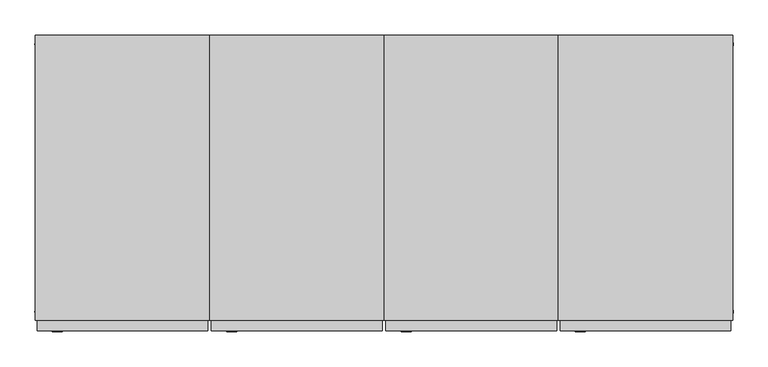
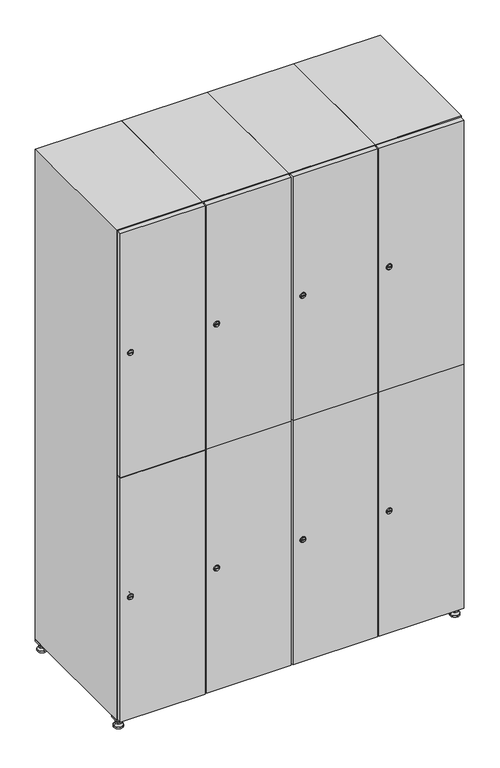
"""IFC4 building model written with IfcOpenShell, lengths in millimetres: furniture geometry."""

from ifc_helpers import new_model, si_unit, point, frame, frame_2d, origin, origin_with_axes, place, context, project, spatial, polyline, circle_curve, trimmed, segment, composite_curve, outline, extrude, faceted_brep, source, transform, mapped, element, save
from ifc_brep_helpers import plane_surface, revolved_surface, advanced_brep


def furniture_04d4490f(model_context):
    return source(origin(), model_context, "Body", "SolidModel", [
        extrude(outline(polyline([(1000.0, 245.0), (1000.0, 215.0), (970.0, 215.0), (970.0, 245.0), (1000.0, 245.0)]), holes=[polyline([(998.0, 243.0), (972.0, 243.0), (972.0, 217.0), (998.0, 217.0), (998.0, 243.0)])]), frame((0.0, 0.0, 28.5), z_axis=(0.0, 0.0, 1.0), x_axis=(1.0, 0.0, 0.0)), (0.0, 0.0, 1.0), 6.5),
        extrude(outline(polyline([(970.0, -245.0), (970.0, -215.0), (1000.0, -215.0), (1000.0, -245.0), (970.0, -245.0)]), holes=[polyline([(972.0, -243.0), (998.0, -243.0), (998.0, -217.0), (972.0, -217.0), (972.0, -243.0)])]), frame((0.0, 0.0, 28.5), z_axis=(0.0, 0.0, 1.0), x_axis=(1.0, 0.0, 0.0)), (0.0, 0.0, 1.0), 6.5),
        extrude(outline(polyline([(-170.0, 245.0), (-170.0, 215.0), (-200.0, 215.0), (-200.0, 245.0), (-170.0, 245.0)]), holes=[polyline([(-172.0, 243.0), (-198.0, 243.0), (-198.0, 217.0), (-172.0, 217.0), (-172.0, 243.0)])]), frame((0.0, 0.0, 28.5), z_axis=(0.0, 0.0, 1.0), x_axis=(1.0, 0.0, 0.0)), (0.0, 0.0, 1.0), 6.5),
        extrude(outline(polyline([(-170.0, -215.0), (-170.0, -245.0), (-200.0, -245.0), (-200.0, -215.0), (-170.0, -215.0)]), holes=[polyline([(-198.0, -243.0), (-172.0, -243.0), (-172.0, -217.0), (-198.0, -217.0), (-198.0, -243.0)])]), frame((0.0, 0.0, 28.5), z_axis=(0.0, 0.0, 1.0), x_axis=(1.0, 0.0, 0.0)), (0.0, 0.0, 1.0), 6.5),
        extrude(outline(composite_curve([segment(trimmed(circle_curve(frame_2d((-185.0, 230.0)), 5.0), [point((-180.0, 230.0))], [point((-190.0, 230.0))], False, "CARTESIAN"), True, "CONTINUOUS"), segment(trimmed(circle_curve(frame_2d((-185.0, 230.0)), 5.0), [point((-190.0, 230.0))], [point((-180.0, 230.0))], False, "CARTESIAN"), True, "CONTINUOUS")], self_intersect=False)), frame((0.0, 0.0, 19.6), z_axis=(0.0, 0.0, 1.0), x_axis=(1.0, 0.0, 0.0)), (0.0, 0.0, 1.0), 15.4),
        extrude(outline(composite_curve([segment(trimmed(circle_curve(frame_2d((-185.0, -230.0)), 5.0), [point((-180.0, -230.0))], [point((-190.0, -230.0))], False, "CARTESIAN"), True, "CONTINUOUS"), segment(trimmed(circle_curve(frame_2d((-185.0, -230.0)), 5.0), [point((-190.0, -230.0))], [point((-180.0, -230.0))], False, "CARTESIAN"), True, "CONTINUOUS")], self_intersect=False)), frame((0.0, 0.0, 19.6), z_axis=(0.0, 0.0, 1.0), x_axis=(1.0, 0.0, 0.0)), (0.0, 0.0, 1.0), 15.4),
        extrude(outline(composite_curve([segment(trimmed(circle_curve(frame_2d((985.0, 230.0)), 5.0), [point((990.0, 230.0))], [point((980.0, 230.0))], False, "CARTESIAN"), True, "CONTINUOUS"), segment(trimmed(circle_curve(frame_2d((985.0, 230.0)), 5.0), [point((980.0, 230.0))], [point((990.0, 230.0))], False, "CARTESIAN"), True, "CONTINUOUS")], self_intersect=False)), frame((0.0, 0.0, 19.6), z_axis=(0.0, 0.0, 1.0), x_axis=(1.0, 0.0, 0.0)), (0.0, 0.0, 1.0), 15.4),
        extrude(outline(polyline([(973.4529946, 230.0), (979.2264973, 240.0), (990.7735027, 240.0), (996.5470054, 230.0), (990.7735027, 220.0), (979.2264973, 220.0), (973.4529946, 230.0)])), frame((0.0, 0.0, 13.6), z_axis=(0.0, 0.0, 1.0), x_axis=(1.0, 0.0, 0.0)), (0.0, 0.0, 1.0), 6.0),
        extrude(outline(composite_curve([segment(trimmed(circle_curve(frame_2d((985.0, -230.0)), 5.0), [point((990.0, -230.0))], [point((980.0, -230.0))], False, "CARTESIAN"), True, "CONTINUOUS"), segment(trimmed(circle_curve(frame_2d((985.0, -230.0)), 5.0), [point((980.0, -230.0))], [point((990.0, -230.0))], False, "CARTESIAN"), True, "CONTINUOUS")], self_intersect=False)), frame((0.0, 0.0, 19.6), z_axis=(0.0, 0.0, 1.0), x_axis=(1.0, 0.0, 0.0)), (0.0, 0.0, 1.0), 15.4),
        extrude(outline(polyline([(973.4529946, -230.0), (979.2264973, -220.0), (990.7735027, -220.0), (996.5470054, -230.0), (990.7735027, -240.0), (979.2264973, -240.0), (973.4529946, -230.0)])), frame((0.0, 0.0, 13.6), z_axis=(0.0, 0.0, 1.0), x_axis=(1.0, 0.0, 0.0)), (0.0, 0.0, 1.0), 6.0),
        extrude(outline(composite_curve([segment(trimmed(circle_curve(frame_2d((985.0, 230.0)), 5.0), [point((990.0, 230.0))], [point((980.0, 230.0))], False, "CARTESIAN"), True, "CONTINUOUS"), segment(trimmed(circle_curve(frame_2d((985.0, 230.0)), 5.0), [point((980.0, 230.0))], [point((990.0, 230.0))], False, "CARTESIAN"), True, "CONTINUOUS")], self_intersect=False)), frame((0.0, 0.0, 12.1), z_axis=(0.0, 0.0, 1.0), x_axis=(1.0, 0.0, 0.0)), (0.0, 0.0, 1.0), 1.5),
        extrude(outline(composite_curve([segment(trimmed(circle_curve(frame_2d((985.0, -230.0)), 5.0), [point((990.0, -230.0))], [point((980.0, -230.0))], False, "CARTESIAN"), True, "CONTINUOUS"), segment(trimmed(circle_curve(frame_2d((985.0, -230.0)), 5.0), [point((980.0, -230.0))], [point((990.0, -230.0))], False, "CARTESIAN"), True, "CONTINUOUS")], self_intersect=False)), frame((0.0, 0.0, 12.1), z_axis=(0.0, 0.0, 1.0), x_axis=(1.0, 0.0, 0.0)), (0.0, 0.0, 1.0), 1.5),
        extrude(outline(polyline([(-196.5470054, 230.0), (-190.7735027, 240.0), (-179.2264973, 240.0), (-173.4529946, 230.0), (-179.2264973, 220.0), (-190.7735027, 220.0), (-196.5470054, 230.0)])), frame((0.0, 0.0, 13.6), z_axis=(0.0, 0.0, 1.0), x_axis=(1.0, 0.0, 0.0)), (0.0, 0.0, 1.0), 6.0),
        extrude(outline(polyline([(-196.5470054, -230.0), (-190.7735027, -220.0), (-179.2264973, -220.0), (-173.4529946, -230.0), (-179.2264973, -240.0), (-190.7735027, -240.0), (-196.5470054, -230.0)])), frame((0.0, 0.0, 13.6), z_axis=(0.0, 0.0, 1.0), x_axis=(1.0, 0.0, 0.0)), (0.0, 0.0, 1.0), 6.0),
        extrude(outline(composite_curve([segment(trimmed(circle_curve(frame_2d((-185.0, 230.0)), 5.0), [point((-185.0, 235.0))], [point((-185.0, 225.0))], False, "CARTESIAN"), True, "CONTINUOUS"), segment(trimmed(circle_curve(frame_2d((-185.0, 230.0)), 5.0), [point((-185.0, 225.0))], [point((-185.0, 235.0))], False, "CARTESIAN"), True, "CONTINUOUS")], self_intersect=False)), frame((0.0, 0.0, 12.1), z_axis=(0.0, 0.0, 1.0), x_axis=(1.0, 0.0, 0.0)), (0.0, 0.0, 1.0), 1.5),
        extrude(outline(composite_curve([segment(trimmed(circle_curve(frame_2d((-185.0, -230.0)), 5.0), [point((-180.0, -230.0))], [point((-190.0, -230.0))], False, "CARTESIAN"), True, "CONTINUOUS"), segment(trimmed(circle_curve(frame_2d((-185.0, -230.0)), 5.0), [point((-190.0, -230.0))], [point((-180.0, -230.0))], False, "CARTESIAN"), True, "CONTINUOUS")], self_intersect=False)), frame((0.0, 0.0, 12.1), z_axis=(0.0, 0.0, 1.0), x_axis=(1.0, 0.0, 0.0)), (0.0, 0.0, 1.0), 1.5),
        extrude(outline(composite_curve([segment(trimmed(circle_curve(frame_2d((985.0, 230.0)), 15.75), [point((1000.75, 230.0))], [point((969.25, 230.0))], False, "CARTESIAN"), True, "CONTINUOUS"), segment(trimmed(circle_curve(frame_2d((985.0, 230.0)), 15.75), [point((969.25, 230.0))], [point((1000.75, 230.0))], False, "CARTESIAN"), True, "CONTINUOUS")], self_intersect=False)), origin_with_axes(), (0.0, 0.0, 1.0), 5.1),
        extrude(outline(composite_curve([segment(trimmed(circle_curve(frame_2d((985.0, -230.0)), 15.75), [point((985.0, -214.25))], [point((985.0, -245.75))], False, "CARTESIAN"), True, "CONTINUOUS"), segment(trimmed(circle_curve(frame_2d((985.0, -230.0)), 15.75), [point((985.0, -245.75))], [point((985.0, -214.25))], False, "CARTESIAN"), True, "CONTINUOUS")], self_intersect=False)), origin_with_axes(), (0.0, 0.0, 1.0), 5.1),
        extrude(outline(composite_curve([segment(trimmed(circle_curve(frame_2d((-185.0, -230.0)), 15.75), [point((-169.25, -230.0))], [point((-200.75, -230.0))], False, "CARTESIAN"), True, "CONTINUOUS"), segment(trimmed(circle_curve(frame_2d((-185.0, -230.0)), 15.75), [point((-200.75, -230.0))], [point((-169.25, -230.0))], False, "CARTESIAN"), True, "CONTINUOUS")], self_intersect=False)), origin_with_axes(), (0.0, 0.0, 1.0), 5.1),
        extrude(outline(composite_curve([segment(trimmed(circle_curve(frame_2d((-185.0, 230.0)), 15.75), [point((-169.25, 230.0))], [point((-200.75, 230.0))], False, "CARTESIAN"), True, "CONTINUOUS"), segment(trimmed(circle_curve(frame_2d((-185.0, 230.0)), 15.75), [point((-200.75, 230.0))], [point((-169.25, 230.0))], False, "CARTESIAN"), True, "CONTINUOUS")], self_intersect=False)), origin_with_axes(), (0.0, 0.0, 1.0), 5.1),
        advanced_brep(
        [(-185.0, 239.5, 12.1), (-185.0, 220.5, 12.1), (-185.0, 214.25, 5.1), (-185.0, 245.75, 5.1)],
        [
            (0, 1, circle_curve(frame((-185.0, 230.0, 12.1), z_axis=(0.0, 0.0, -1.0), x_axis=(0.0, 1.0, 0.0)), 9.5)),
            (1, 2),
            (2, 3, circle_curve(frame((-185.0, 230.0, 5.1), z_axis=(0.0, 0.0, 1.0), x_axis=(0.0, 1.0, 0.0)), 15.75)),
            (3, 0),
            (1, 0, circle_curve(frame((-185.0, 230.0, 12.1), z_axis=(0.0, 0.0, -1.0), x_axis=(0.0, -1.0, 0.0)), 9.5)),
            (3, 2, circle_curve(frame((-185.0, 230.0, 5.1), z_axis=(0.0, 0.0, 1.0), x_axis=(0.0, -1.0, 0.0)), 15.75)),
        ],
        [
            revolved_surface(polyline([(-185.0, 220.5, 12.099999999999998), (-185.0, 214.25, 5.099999999999998)]), (-185.0, 230.0, 22.74), (0.0, 0.0, -1.0)),
            revolved_surface(polyline([(-185.0, 239.5, 12.099999999999998), (-185.0, 245.75, 5.099999999999998)]), (-185.0, 230.0, 22.74), (0.0, 0.0, -1.0)),
            plane_surface(frame((-185.0, 230.0, 5.1), z_axis=(0.0, 0.0, -1.0), x_axis=(1.0, 0.0, 0.0))),
            plane_surface(frame((-185.0, 230.0, 12.1), z_axis=(0.0, 0.0, 1.0), x_axis=(1.0, 0.0, 0.0))),
        ],
        [
            (0, [[1, 2, 3, 4]]),
            (1, [[5, -4, 6, -2]]),
            (2, [[-3, -6]]),
            (3, [[-5, -1]]),
        ],
    ),
        advanced_brep(
        [(985.0, 239.5, 12.1), (985.0, 220.5, 12.1), (985.0, 214.25, 5.1), (985.0, 245.75, 5.1)],
        [
            (0, 1, circle_curve(frame((985.0, 230.0, 12.1), z_axis=(0.0, 0.0, -1.0), x_axis=(0.0, 1.0, 0.0)), 9.5)),
            (1, 2),
            (2, 3, circle_curve(frame((985.0, 230.0, 5.1), z_axis=(0.0, 0.0, 1.0), x_axis=(0.0, 1.0, 0.0)), 15.75)),
            (3, 0),
            (1, 0, circle_curve(frame((985.0, 230.0, 12.1), z_axis=(0.0, 0.0, -1.0), x_axis=(0.0, -1.0, 0.0)), 9.5)),
            (3, 2, circle_curve(frame((985.0, 230.0, 5.1), z_axis=(0.0, 0.0, 1.0), x_axis=(0.0, -1.0, 0.0)), 15.75)),
        ],
        [
            revolved_surface(polyline([(985.0, 220.5, 12.099999999999998), (985.0, 214.25, 5.099999999999998)]), (985.0, 230.0, 22.74), (0.0, 0.0, -1.0)),
            revolved_surface(polyline([(985.0, 239.5, 12.099999999999998), (985.0, 245.75, 5.099999999999998)]), (985.0, 230.0, 22.74), (0.0, 0.0, -1.0)),
            plane_surface(frame((985.0, 230.0, 5.1), z_axis=(0.0, 0.0, -1.0), x_axis=(1.0, 0.0, 0.0))),
            plane_surface(frame((985.0, 230.0, 12.1), z_axis=(0.0, 0.0, 1.0), x_axis=(1.0, 0.0, 0.0))),
        ],
        [
            (0, [[1, 2, 3, 4]]),
            (1, [[5, -4, 6, -2]]),
            (2, [[-3, -6]]),
            (3, [[-5, -1]]),
        ],
    ),
        advanced_brep(
        [(1000.75, -230.0, 5.1), (969.25, -230.0, 5.1), (975.5, -230.0, 12.1), (994.5, -230.0, 12.1)],
        [
            (0, 1, circle_curve(frame((985.0, -230.0, 5.1), z_axis=(0.0, 0.0, 1.0), x_axis=(1.0, 0.0, 0.0)), 15.75)),
            (1, 2),
            (2, 3, circle_curve(frame((985.0, -230.0, 12.1), z_axis=(0.0, 0.0, -1.0), x_axis=(1.0, 0.0, 0.0)), 9.5)),
            (3, 0),
            (1, 0, circle_curve(frame((985.0, -230.0, 5.1), z_axis=(0.0, 0.0, 1.0), x_axis=(-1.0, 0.0, 0.0)), 15.75)),
            (3, 2, circle_curve(frame((985.0, -230.0, 12.1), z_axis=(0.0, 0.0, -1.0), x_axis=(-1.0, 0.0, 0.0)), 9.5)),
        ],
        [
            revolved_surface(polyline([(994.5, -230.0, 12.099999999999998), (1000.75, -230.0, 5.099999999999998)]), (985.0, -230.0, 22.74), (0.0, 0.0, -1.0)),
            revolved_surface(polyline([(975.5, -230.0, 12.099999999999998), (969.25, -230.0, 5.099999999999998)]), (985.0, -230.0, 22.74), (0.0, 0.0, -1.0)),
            plane_surface(frame((985.0, -230.0, 12.1), z_axis=(0.0, 0.0, 1.0), x_axis=(0.0, 1.0, 0.0))),
            plane_surface(frame((985.0, -230.0, 5.1), z_axis=(0.0, 0.0, -1.0), x_axis=(0.0, 1.0, 0.0))),
        ],
        [
            (0, [[1, 2, 3, 4]]),
            (1, [[5, -4, 6, -2]]),
            (2, [[-3, -6]]),
            (3, [[-5, -1]]),
        ],
    ),
        advanced_brep(
        [(-169.25, -230.0, 5.1), (-200.75, -230.0, 5.1), (-194.5, -230.0, 12.1), (-175.5, -230.0, 12.1)],
        [
            (0, 1, circle_curve(frame((-185.0, -230.0, 5.1), z_axis=(0.0, 0.0, 1.0), x_axis=(1.0, 0.0, 0.0)), 15.75)),
            (1, 2),
            (2, 3, circle_curve(frame((-185.0, -230.0, 12.1), z_axis=(0.0, 0.0, -1.0), x_axis=(1.0, 0.0, 0.0)), 9.5)),
            (3, 0),
            (1, 0, circle_curve(frame((-185.0, -230.0, 5.1), z_axis=(0.0, 0.0, 1.0), x_axis=(-1.0, 0.0, 0.0)), 15.75)),
            (3, 2, circle_curve(frame((-185.0, -230.0, 12.1), z_axis=(0.0, 0.0, -1.0), x_axis=(-1.0, 0.0, 0.0)), 9.5)),
        ],
        [
            revolved_surface(polyline([(-175.5, -230.0, 12.099999999999998), (-169.25, -230.0, 5.099999999999998)]), (-185.0, -230.0, 22.74), (0.0, 0.0, -1.0)),
            revolved_surface(polyline([(-194.5, -230.0, 12.099999999999998), (-200.75, -230.0, 5.099999999999998)]), (-185.0, -230.0, 22.74), (0.0, 0.0, -1.0)),
            plane_surface(frame((-185.0, -230.0, 12.1), z_axis=(0.0, 0.0, 1.0), x_axis=(0.0, 1.0, 0.0))),
            plane_surface(frame((-185.0, -230.0, 5.1), z_axis=(0.0, 0.0, -1.0), x_axis=(0.0, 1.0, 0.0))),
        ],
        [
            (0, [[1, 2, 3, 4]]),
            (1, [[5, -4, 6, -2]]),
            (2, [[-3, -6]]),
            (3, [[-5, -1]]),
        ],
    ),
        extrude(outline(composite_curve([segment(trimmed(circle_curve(frame_2d((486.5, 711.2010534)), 7.0), [point((493.5, 711.2010534))], [point((479.5, 711.2010534))], False, "CARTESIAN"), True, "CONTINUOUS"), segment(polyline([(479.5, 711.2010534), (479.5, 739.2010534)]), True, "CONTINUOUS"), segment(trimmed(circle_curve(frame_2d((486.5, 739.2010534)), 7.0), [point((479.5, 739.2010534))], [point((493.5, 739.2010534))], False, "CARTESIAN"), True, "CONTINUOUS"), segment(polyline([(493.5, 739.2010534), (493.5, 711.2010534)]), True, "CONTINUOUS")], self_intersect=False)), frame((0.0, -245.0, 0.0), z_axis=(0.0, 1.0, 0.0), x_axis=(0.0, 0.0, 1.0)), (0.0, 0.0, 1.0), 2.0),
        advanced_brep(
        [(746.5, -265.2, 486.5), (729.5, -265.2, 486.5), (733.0, -265.2, 485.25), (733.0, -265.2, 487.75), (743.0, -265.2, 487.75), (743.0, -265.2, 485.25), (748.5, -263.0, 486.5), (727.5, -263.0, 486.5), (733.0, -263.0, 487.75), (733.0, -263.0, 485.25), (743.0, -263.0, 485.25), (743.0, -263.0, 487.75)],
        [
            (0, 1, circle_curve(frame((738.0, -265.2, 486.5), z_axis=(0.0, -1.0, 0.0), x_axis=(1.0, 0.0, 0.0)), 8.5)),
            (1, 0, circle_curve(frame((738.0, -265.2, 486.5), z_axis=(0.0, -1.0, 0.0), x_axis=(-1.0, 0.0, 0.0)), 8.5)),
            (2, 3),
            (3, 4),
            (4, 5),
            (5, 2),
            (6, 7, circle_curve(frame((738.0, -263.0, 486.5), z_axis=(0.0, 1.0, 0.0), x_axis=(-1.0, 0.0, 0.0)), 10.5)),
            (7, 6, circle_curve(frame((738.0, -263.0, 486.5), z_axis=(0.0, 1.0, 0.0), x_axis=(1.0, 0.0, 0.0)), 10.5)),
            (8, 9),
            (9, 10),
            (10, 11),
            (11, 8),
            (0, 6),
            (7, 1),
            (8, 3),
            (2, 9),
            (11, 4),
            (10, 5),
        ],
        [
            plane_surface(frame((738.0, -265.2, 486.5), z_axis=(0.0, -1.0, 0.0), x_axis=(0.0, 0.0, 1.0))),
            plane_surface(frame((738.0, -263.0, 486.5), z_axis=(0.0, 1.0, 0.0), x_axis=(0.0, 0.0, 1.0))),
            revolved_surface(polyline([(746.5, -265.2, 486.5), (748.5, -263.0, 486.5)]), (738.0, -274.55, 486.5), (0.0, 1.0, 0.0)),
            revolved_surface(polyline([(729.5, -265.2, 486.5), (727.5, -263.0, 486.5)]), (738.0, -274.55, 486.5), (0.0, 1.0, 0.0)),
            plane_surface(frame((733.0, -263.0, 485.25), z_axis=(1.0, 0.0, 0.0), x_axis=(0.0, -1.0, 0.0))),
            plane_surface(frame((733.0, -263.0, 487.75), z_axis=(0.0, 0.0, -1.0), x_axis=(0.0, -1.0, 0.0))),
            plane_surface(frame((743.0, -263.0, 487.75), z_axis=(-1.0, 0.0, 0.0), x_axis=(0.0, -1.0, 0.0))),
            plane_surface(frame((743.0, -263.0, 485.25), z_axis=(0.0, 0.0, 1.0), x_axis=(0.0, -1.0, 0.0))),
        ],
        [
            (0, [[1, 2], [3, 4, 5, 6]]),
            (1, [[7, 8], [9, 10, 11, 12]]),
            (2, [[-1, 13, -8, 14]]),
            (3, [[-2, -14, -7, -13]]),
            (4, [[15, -3, 16, -9]]),
            (5, [[-15, -12, 17, -4]]),
            (6, [[-17, -11, 18, -5]]),
            (7, [[-16, -6, -18, -10]]),
        ],
    ),
        extrude(outline(composite_curve([segment(trimmed(circle_curve(frame_2d((1383.5, 711.2010534)), 7.0), [point((1390.5, 711.2010534))], [point((1376.5, 711.2010534))], False, "CARTESIAN"), True, "CONTINUOUS"), segment(polyline([(1376.5, 711.2010534), (1376.5, 739.2010534)]), True, "CONTINUOUS"), segment(trimmed(circle_curve(frame_2d((1383.5, 739.2010534)), 7.0), [point((1376.5, 739.2010534))], [point((1390.5, 739.2010534))], False, "CARTESIAN"), True, "CONTINUOUS"), segment(polyline([(1390.5, 739.2010534), (1390.5, 711.2010534)]), True, "CONTINUOUS")], self_intersect=False)), frame((0.0, -245.0, 0.0), z_axis=(0.0, 1.0, 0.0), x_axis=(0.0, 0.0, 1.0)), (0.0, 0.0, 1.0), 2.0),
        advanced_brep(
        [(746.5, -265.2, 1383.5), (729.5, -265.2, 1383.5), (733.0, -265.2, 1382.25), (733.0, -265.2, 1384.75), (743.0, -265.2, 1384.75), (743.0, -265.2, 1382.25), (748.5, -263.0, 1383.5), (727.5, -263.0, 1383.5), (733.0, -263.0, 1384.75), (733.0, -263.0, 1382.25), (743.0, -263.0, 1382.25), (743.0, -263.0, 1384.75)],
        [
            (0, 1, circle_curve(frame((738.0, -265.2, 1383.5), z_axis=(0.0, -1.0, 0.0), x_axis=(1.0, 0.0, 0.0)), 8.5)),
            (1, 0, circle_curve(frame((738.0, -265.2, 1383.5), z_axis=(0.0, -1.0, 0.0), x_axis=(-1.0, 0.0, 0.0)), 8.5)),
            (2, 3),
            (3, 4),
            (4, 5),
            (5, 2),
            (6, 7, circle_curve(frame((738.0, -263.0, 1383.5), z_axis=(0.0, 1.0, 0.0), x_axis=(-1.0, 0.0, 0.0)), 10.5)),
            (7, 6, circle_curve(frame((738.0, -263.0, 1383.5), z_axis=(0.0, 1.0, 0.0), x_axis=(1.0, 0.0, 0.0)), 10.5)),
            (8, 9),
            (9, 10),
            (10, 11),
            (11, 8),
            (0, 6),
            (7, 1),
            (8, 3),
            (2, 9),
            (11, 4),
            (10, 5),
        ],
        [
            plane_surface(frame((738.0, -265.2, 1383.5), z_axis=(0.0, -1.0, 0.0), x_axis=(0.0, 0.0, 1.0))),
            plane_surface(frame((738.0, -263.0, 1383.5), z_axis=(0.0, 1.0, 0.0), x_axis=(0.0, 0.0, 1.0))),
            revolved_surface(polyline([(746.5, -265.2, 1383.5), (748.5, -263.0, 1383.5)]), (738.0, -274.55, 1383.5), (0.0, 1.0, 0.0)),
            revolved_surface(polyline([(729.5, -265.2, 1383.5), (727.5, -263.0, 1383.5)]), (738.0, -274.55, 1383.5), (0.0, 1.0, 0.0)),
            plane_surface(frame((733.0, -263.0, 1382.25), z_axis=(1.0, 0.0, 0.0), x_axis=(0.0, -1.0, 0.0))),
            plane_surface(frame((733.0, -263.0, 1384.75), z_axis=(0.0, 0.0, -1.0), x_axis=(0.0, -1.0, 0.0))),
            plane_surface(frame((743.0, -263.0, 1384.75), z_axis=(-1.0, 0.0, 0.0), x_axis=(0.0, -1.0, 0.0))),
            plane_surface(frame((743.0, -263.0, 1382.25), z_axis=(0.0, 0.0, 1.0), x_axis=(0.0, -1.0, 0.0))),
        ],
        [
            (0, [[1, 2], [3, 4, 5, 6]]),
            (1, [[7, 8], [9, 10, 11, 12]]),
            (2, [[-1, 13, -8, 14]]),
            (3, [[-2, -14, -7, -13]]),
            (4, [[15, -3, 16, -9]]),
            (5, [[-15, -12, 17, -4]]),
            (6, [[-17, -11, 18, -5]]),
            (7, [[-16, -6, -18, -10]]),
        ],
    ),
        extrude(outline(polyline([(703.0, -263.0), (703.0, -245.0), (997.0, -245.0), (997.0, -263.0), (703.0, -263.0)])), frame((0.0, 0.0, 38.0), z_axis=(0.0, 0.0, 1.0), x_axis=(1.0, 0.0, 0.0)), (0.0, 0.0, 1.0), 896.5),
        extrude(outline(polyline([(997.0, -245.0), (997.0, -263.0), (703.0, -263.0), (703.0, -245.0), (997.0, -245.0)])), frame((0.0, 0.0, 935.5), z_axis=(0.0, 0.0, 1.0), x_axis=(1.0, 0.0, 0.0)), (0.0, 0.0, 1.0), 896.5),
        extrude(outline(polyline([(979.6, 242.0), (979.6, -227.0), (720.4, -227.0), (720.4, 242.0), (979.6, 242.0)])), frame((0.0, 0.0, 924.8), z_axis=(0.0, 0.0, 1.0), x_axis=(1.0, 0.0, 0.0)), (0.0, 0.0, 1.0), 20.4),
        faceted_brep([(1000.0, -245.0, 35.0), (1000.0, -245.0, 1835.0), (700.0, -245.0, 1835.0), (700.0, -245.0, 35.0), (979.6, -245.0, 1804.8), (979.6, -245.0, 65.2), (720.4, -245.0, 65.2), (720.4, -245.0, 1804.8), (1000.0, 245.0, 35.0), (700.0, 245.0, 35.0), (1000.0, 245.0, 1835.0), (700.0, 245.0, 1835.0), (979.6, 242.0, 1804.8), (979.6, 242.0, 65.2), (700.0, 245.0, 1804.8), (720.4, 242.0, 1804.8), (720.4, 242.0, 65.2)], [[[0, 1, 2, 3], [4, 5, 6, 7]], [[8, 0, 3, 9]], [[1, 0, 8, 10]], [[1, 10, 11, 2]], [[4, 12, 13, 5]], [[9, 3, 2, 11, 14]], [[10, 8, 9, 14, 11]], [[12, 15, 16, 13]], [[15, 7, 6, 16]], [[4, 7, 15, 12]], [[6, 5, 13, 16]]]),
        extrude(outline(composite_curve([segment(trimmed(circle_curve(frame_2d((486.5, 411.2010534)), 7.0), [point((493.5, 411.2010534))], [point((479.5, 411.2010534))], False, "CARTESIAN"), True, "CONTINUOUS"), segment(polyline([(479.5, 411.2010534), (479.5, 439.2010534)]), True, "CONTINUOUS"), segment(trimmed(circle_curve(frame_2d((486.5, 439.2010534)), 7.0), [point((479.5, 439.2010534))], [point((493.5, 439.2010534))], False, "CARTESIAN"), True, "CONTINUOUS"), segment(polyline([(493.5, 439.2010534), (493.5, 411.2010534)]), True, "CONTINUOUS")], self_intersect=False)), frame((0.0, -245.0, 0.0), z_axis=(0.0, 1.0, 0.0), x_axis=(0.0, 0.0, 1.0)), (0.0, 0.0, 1.0), 2.0),
        advanced_brep(
        [(446.5, -265.2, 486.5), (429.5, -265.2, 486.5), (433.0, -265.2, 485.25), (433.0, -265.2, 487.75), (443.0, -265.2, 487.75), (443.0, -265.2, 485.25), (448.5, -263.0, 486.5), (427.5, -263.0, 486.5), (433.0, -263.0, 487.75), (433.0, -263.0, 485.25), (443.0, -263.0, 485.25), (443.0, -263.0, 487.75)],
        [
            (0, 1, circle_curve(frame((438.0, -265.2, 486.5), z_axis=(0.0, -1.0, 0.0), x_axis=(1.0, 0.0, 0.0)), 8.5)),
            (1, 0, circle_curve(frame((438.0, -265.2, 486.5), z_axis=(0.0, -1.0, 0.0), x_axis=(-1.0, 0.0, 0.0)), 8.5)),
            (2, 3),
            (3, 4),
            (4, 5),
            (5, 2),
            (6, 7, circle_curve(frame((438.0, -263.0, 486.5), z_axis=(0.0, 1.0, 0.0), x_axis=(-1.0, 0.0, 0.0)), 10.5)),
            (7, 6, circle_curve(frame((438.0, -263.0, 486.5), z_axis=(0.0, 1.0, 0.0), x_axis=(1.0, 0.0, 0.0)), 10.5)),
            (8, 9),
            (9, 10),
            (10, 11),
            (11, 8),
            (0, 6),
            (7, 1),
            (8, 3),
            (2, 9),
            (11, 4),
            (10, 5),
        ],
        [
            plane_surface(frame((438.0, -265.2, 486.5), z_axis=(0.0, -1.0, 0.0), x_axis=(0.0, 0.0, 1.0))),
            plane_surface(frame((438.0, -263.0, 486.5), z_axis=(0.0, 1.0, 0.0), x_axis=(0.0, 0.0, 1.0))),
            revolved_surface(polyline([(446.5, -265.2, 486.5), (448.5, -263.0, 486.5)]), (438.0, -274.55, 486.5), (0.0, 1.0, 0.0)),
            revolved_surface(polyline([(429.5, -265.2, 486.5), (427.5, -263.0, 486.5)]), (438.0, -274.55, 486.5), (0.0, 1.0, 0.0)),
            plane_surface(frame((433.0, -263.0, 485.25), z_axis=(1.0, 0.0, 0.0), x_axis=(0.0, -1.0, 0.0))),
            plane_surface(frame((433.0, -263.0, 487.75), z_axis=(0.0, 0.0, -1.0), x_axis=(0.0, -1.0, 0.0))),
            plane_surface(frame((443.0, -263.0, 487.75), z_axis=(-1.0, 0.0, 0.0), x_axis=(0.0, -1.0, 0.0))),
            plane_surface(frame((443.0, -263.0, 485.25), z_axis=(0.0, 0.0, 1.0), x_axis=(0.0, -1.0, 0.0))),
        ],
        [
            (0, [[1, 2], [3, 4, 5, 6]]),
            (1, [[7, 8], [9, 10, 11, 12]]),
            (2, [[-1, 13, -8, 14]]),
            (3, [[-2, -14, -7, -13]]),
            (4, [[15, -3, 16, -9]]),
            (5, [[-15, -12, 17, -4]]),
            (6, [[-17, -11, 18, -5]]),
            (7, [[-16, -6, -18, -10]]),
        ],
    ),
        extrude(outline(composite_curve([segment(trimmed(circle_curve(frame_2d((1383.5, 411.2010534)), 7.0), [point((1390.5, 411.2010534))], [point((1376.5, 411.2010534))], False, "CARTESIAN"), True, "CONTINUOUS"), segment(polyline([(1376.5, 411.2010534), (1376.5, 439.2010534)]), True, "CONTINUOUS"), segment(trimmed(circle_curve(frame_2d((1383.5, 439.2010534)), 7.0), [point((1376.5, 439.2010534))], [point((1390.5, 439.2010534))], False, "CARTESIAN"), True, "CONTINUOUS"), segment(polyline([(1390.5, 439.2010534), (1390.5, 411.2010534)]), True, "CONTINUOUS")], self_intersect=False)), frame((0.0, -245.0, 0.0), z_axis=(0.0, 1.0, 0.0), x_axis=(0.0, 0.0, 1.0)), (0.0, 0.0, 1.0), 2.0),
        advanced_brep(
        [(446.5, -265.2, 1383.5), (429.5, -265.2, 1383.5), (433.0, -265.2, 1382.25), (433.0, -265.2, 1384.75), (443.0, -265.2, 1384.75), (443.0, -265.2, 1382.25), (448.5, -263.0, 1383.5), (427.5, -263.0, 1383.5), (433.0, -263.0, 1384.75), (433.0, -263.0, 1382.25), (443.0, -263.0, 1382.25), (443.0, -263.0, 1384.75)],
        [
            (0, 1, circle_curve(frame((438.0, -265.2, 1383.5), z_axis=(0.0, -1.0, 0.0), x_axis=(1.0, 0.0, 0.0)), 8.5)),
            (1, 0, circle_curve(frame((438.0, -265.2, 1383.5), z_axis=(0.0, -1.0, 0.0), x_axis=(-1.0, 0.0, 0.0)), 8.5)),
            (2, 3),
            (3, 4),
            (4, 5),
            (5, 2),
            (6, 7, circle_curve(frame((438.0, -263.0, 1383.5), z_axis=(0.0, 1.0, 0.0), x_axis=(-1.0, 0.0, 0.0)), 10.5)),
            (7, 6, circle_curve(frame((438.0, -263.0, 1383.5), z_axis=(0.0, 1.0, 0.0), x_axis=(1.0, 0.0, 0.0)), 10.5)),
            (8, 9),
            (9, 10),
            (10, 11),
            (11, 8),
            (0, 6),
            (7, 1),
            (8, 3),
            (2, 9),
            (11, 4),
            (10, 5),
        ],
        [
            plane_surface(frame((438.0, -265.2, 1383.5), z_axis=(0.0, -1.0, 0.0), x_axis=(0.0, 0.0, 1.0))),
            plane_surface(frame((438.0, -263.0, 1383.5), z_axis=(0.0, 1.0, 0.0), x_axis=(0.0, 0.0, 1.0))),
            revolved_surface(polyline([(446.5, -265.2, 1383.5), (448.5, -263.0, 1383.5)]), (438.0, -274.55, 1383.5), (0.0, 1.0, 0.0)),
            revolved_surface(polyline([(429.5, -265.2, 1383.5), (427.5, -263.0, 1383.5)]), (438.0, -274.55, 1383.5), (0.0, 1.0, 0.0)),
            plane_surface(frame((433.0, -263.0, 1382.25), z_axis=(1.0, 0.0, 0.0), x_axis=(0.0, -1.0, 0.0))),
            plane_surface(frame((433.0, -263.0, 1384.75), z_axis=(0.0, 0.0, -1.0), x_axis=(0.0, -1.0, 0.0))),
            plane_surface(frame((443.0, -263.0, 1384.75), z_axis=(-1.0, 0.0, 0.0), x_axis=(0.0, -1.0, 0.0))),
            plane_surface(frame((443.0, -263.0, 1382.25), z_axis=(0.0, 0.0, 1.0), x_axis=(0.0, -1.0, 0.0))),
        ],
        [
            (0, [[1, 2], [3, 4, 5, 6]]),
            (1, [[7, 8], [9, 10, 11, 12]]),
            (2, [[-1, 13, -8, 14]]),
            (3, [[-2, -14, -7, -13]]),
            (4, [[15, -3, 16, -9]]),
            (5, [[-15, -12, 17, -4]]),
            (6, [[-17, -11, 18, -5]]),
            (7, [[-16, -6, -18, -10]]),
        ],
    ),
        extrude(outline(polyline([(403.0, -263.0), (403.0, -245.0), (697.0, -245.0), (697.0, -263.0), (403.0, -263.0)])), frame((0.0, 0.0, 38.0), z_axis=(0.0, 0.0, 1.0), x_axis=(1.0, 0.0, 0.0)), (0.0, 0.0, 1.0), 896.5),
        extrude(outline(polyline([(697.0, -245.0), (697.0, -263.0), (403.0, -263.0), (403.0, -245.0), (697.0, -245.0)])), frame((0.0, 0.0, 935.5), z_axis=(0.0, 0.0, 1.0), x_axis=(1.0, 0.0, 0.0)), (0.0, 0.0, 1.0), 896.5),
        extrude(outline(polyline([(679.6, 242.0), (679.6, -227.0), (420.4, -227.0), (420.4, 242.0), (679.6, 242.0)])), frame((0.0, 0.0, 924.8), z_axis=(0.0, 0.0, 1.0), x_axis=(1.0, 0.0, 0.0)), (0.0, 0.0, 1.0), 20.4),
        faceted_brep([(700.0, -245.0, 35.0), (700.0, -245.0, 1835.0), (400.0, -245.0, 1835.0), (400.0, -245.0, 35.0), (679.6, -245.0, 1804.8), (679.6, -245.0, 65.2), (420.4, -245.0, 65.2), (420.4, -245.0, 1804.8), (700.0, 245.0, 35.0), (400.0, 245.0, 35.0), (700.0, 245.0, 1835.0), (400.0, 245.0, 1835.0), (679.6, 242.0, 1804.8), (679.6, 242.0, 65.2), (400.0, 245.0, 1804.8), (420.4, 242.0, 1804.8), (420.4, 242.0, 65.2)], [[[0, 1, 2, 3], [4, 5, 6, 7]], [[8, 0, 3, 9]], [[1, 0, 8, 10]], [[1, 10, 11, 2]], [[4, 12, 13, 5]], [[9, 3, 2, 11, 14]], [[10, 8, 9, 14, 11]], [[12, 15, 16, 13]], [[15, 7, 6, 16]], [[4, 7, 15, 12]], [[6, 5, 13, 16]]]),
        extrude(outline(composite_curve([segment(trimmed(circle_curve(frame_2d((486.5, 111.2010534)), 7.0), [point((493.5, 111.2010534))], [point((479.5, 111.2010534))], False, "CARTESIAN"), True, "CONTINUOUS"), segment(polyline([(479.5, 111.2010534), (479.5, 139.2010534)]), True, "CONTINUOUS"), segment(trimmed(circle_curve(frame_2d((486.5, 139.2010534)), 7.0), [point((479.5, 139.2010534))], [point((493.5, 139.2010534))], False, "CARTESIAN"), True, "CONTINUOUS"), segment(polyline([(493.5, 139.2010534), (493.5, 111.2010534)]), True, "CONTINUOUS")], self_intersect=False)), frame((0.0, -245.0, 0.0), z_axis=(0.0, 1.0, 0.0), x_axis=(0.0, 0.0, 1.0)), (0.0, 0.0, 1.0), 2.0),
        advanced_brep(
        [(146.5, -265.2, 486.5), (129.5, -265.2, 486.5), (133.0, -265.2, 485.25), (133.0, -265.2, 487.75), (143.0, -265.2, 487.75), (143.0, -265.2, 485.25), (148.5, -263.0, 486.5), (127.5, -263.0, 486.5), (133.0, -263.0, 487.75), (133.0, -263.0, 485.25), (143.0, -263.0, 485.25), (143.0, -263.0, 487.75)],
        [
            (0, 1, circle_curve(frame((138.0, -265.2, 486.5), z_axis=(0.0, -1.0, 0.0), x_axis=(1.0, 0.0, 0.0)), 8.5)),
            (1, 0, circle_curve(frame((138.0, -265.2, 486.5), z_axis=(0.0, -1.0, 0.0), x_axis=(-1.0, 0.0, 0.0)), 8.5)),
            (2, 3),
            (3, 4),
            (4, 5),
            (5, 2),
            (6, 7, circle_curve(frame((138.0, -263.0, 486.5), z_axis=(0.0, 1.0, 0.0), x_axis=(-1.0, 0.0, 0.0)), 10.5)),
            (7, 6, circle_curve(frame((138.0, -263.0, 486.5), z_axis=(0.0, 1.0, 0.0), x_axis=(1.0, 0.0, 0.0)), 10.5)),
            (8, 9),
            (9, 10),
            (10, 11),
            (11, 8),
            (0, 6),
            (7, 1),
            (8, 3),
            (2, 9),
            (11, 4),
            (10, 5),
        ],
        [
            plane_surface(frame((138.0, -265.2, 486.5), z_axis=(0.0, -1.0, 0.0), x_axis=(0.0, 0.0, 1.0))),
            plane_surface(frame((138.0, -263.0, 486.5), z_axis=(0.0, 1.0, 0.0), x_axis=(0.0, 0.0, 1.0))),
            revolved_surface(polyline([(146.5, -265.2, 486.5), (148.5, -263.0, 486.5)]), (138.0, -274.55, 486.5), (0.0, 1.0, 0.0)),
            revolved_surface(polyline([(129.5, -265.2, 486.5), (127.5, -263.0, 486.5)]), (138.0, -274.55, 486.5), (0.0, 1.0, 0.0)),
            plane_surface(frame((133.0, -263.0, 485.25), z_axis=(1.0, 0.0, 0.0), x_axis=(0.0, -1.0, 0.0))),
            plane_surface(frame((133.0, -263.0, 487.75), z_axis=(0.0, 0.0, -1.0), x_axis=(0.0, -1.0, 0.0))),
            plane_surface(frame((143.0, -263.0, 487.75), z_axis=(-1.0, 0.0, 0.0), x_axis=(0.0, -1.0, 0.0))),
            plane_surface(frame((143.0, -263.0, 485.25), z_axis=(0.0, 0.0, 1.0), x_axis=(0.0, -1.0, 0.0))),
        ],
        [
            (0, [[1, 2], [3, 4, 5, 6]]),
            (1, [[7, 8], [9, 10, 11, 12]]),
            (2, [[-1, 13, -8, 14]]),
            (3, [[-2, -14, -7, -13]]),
            (4, [[15, -3, 16, -9]]),
            (5, [[-15, -12, 17, -4]]),
            (6, [[-17, -11, 18, -5]]),
            (7, [[-16, -6, -18, -10]]),
        ],
    ),
        extrude(outline(composite_curve([segment(trimmed(circle_curve(frame_2d((1383.5, 111.2010534)), 7.0), [point((1390.5, 111.2010534))], [point((1376.5, 111.2010534))], False, "CARTESIAN"), True, "CONTINUOUS"), segment(polyline([(1376.5, 111.2010534), (1376.5, 139.2010534)]), True, "CONTINUOUS"), segment(trimmed(circle_curve(frame_2d((1383.5, 139.2010534)), 7.0), [point((1376.5, 139.2010534))], [point((1390.5, 139.2010534))], False, "CARTESIAN"), True, "CONTINUOUS"), segment(polyline([(1390.5, 139.2010534), (1390.5, 111.2010534)]), True, "CONTINUOUS")], self_intersect=False)), frame((0.0, -245.0, 0.0), z_axis=(0.0, 1.0, 0.0), x_axis=(0.0, 0.0, 1.0)), (0.0, 0.0, 1.0), 2.0),
        advanced_brep(
        [(146.5, -265.2, 1383.5), (129.5, -265.2, 1383.5), (133.0, -265.2, 1382.25), (133.0, -265.2, 1384.75), (143.0, -265.2, 1384.75), (143.0, -265.2, 1382.25), (148.5, -263.0, 1383.5), (127.5, -263.0, 1383.5), (133.0, -263.0, 1384.75), (133.0, -263.0, 1382.25), (143.0, -263.0, 1382.25), (143.0, -263.0, 1384.75)],
        [
            (0, 1, circle_curve(frame((138.0, -265.2, 1383.5), z_axis=(0.0, -1.0, 0.0), x_axis=(1.0, 0.0, 0.0)), 8.5)),
            (1, 0, circle_curve(frame((138.0, -265.2, 1383.5), z_axis=(0.0, -1.0, 0.0), x_axis=(-1.0, 0.0, 0.0)), 8.5)),
            (2, 3),
            (3, 4),
            (4, 5),
            (5, 2),
            (6, 7, circle_curve(frame((138.0, -263.0, 1383.5), z_axis=(0.0, 1.0, 0.0), x_axis=(-1.0, 0.0, 0.0)), 10.5)),
            (7, 6, circle_curve(frame((138.0, -263.0, 1383.5), z_axis=(0.0, 1.0, 0.0), x_axis=(1.0, 0.0, 0.0)), 10.5)),
            (8, 9),
            (9, 10),
            (10, 11),
            (11, 8),
            (0, 6),
            (7, 1),
            (8, 3),
            (2, 9),
            (11, 4),
            (10, 5),
        ],
        [
            plane_surface(frame((138.0, -265.2, 1383.5), z_axis=(0.0, -1.0, 0.0), x_axis=(0.0, 0.0, 1.0))),
            plane_surface(frame((138.0, -263.0, 1383.5), z_axis=(0.0, 1.0, 0.0), x_axis=(0.0, 0.0, 1.0))),
            revolved_surface(polyline([(146.5, -265.2, 1383.5), (148.5, -263.0, 1383.5)]), (138.0, -274.55, 1383.5), (0.0, 1.0, 0.0)),
            revolved_surface(polyline([(129.5, -265.2, 1383.5), (127.5, -263.0, 1383.5)]), (138.0, -274.55, 1383.5), (0.0, 1.0, 0.0)),
            plane_surface(frame((133.0, -263.0, 1382.25), z_axis=(1.0, 0.0, 0.0), x_axis=(0.0, -1.0, 0.0))),
            plane_surface(frame((133.0, -263.0, 1384.75), z_axis=(0.0, 0.0, -1.0), x_axis=(0.0, -1.0, 0.0))),
            plane_surface(frame((143.0, -263.0, 1384.75), z_axis=(-1.0, 0.0, 0.0), x_axis=(0.0, -1.0, 0.0))),
            plane_surface(frame((143.0, -263.0, 1382.25), z_axis=(0.0, 0.0, 1.0), x_axis=(0.0, -1.0, 0.0))),
        ],
        [
            (0, [[1, 2], [3, 4, 5, 6]]),
            (1, [[7, 8], [9, 10, 11, 12]]),
            (2, [[-1, 13, -8, 14]]),
            (3, [[-2, -14, -7, -13]]),
            (4, [[15, -3, 16, -9]]),
            (5, [[-15, -12, 17, -4]]),
            (6, [[-17, -11, 18, -5]]),
            (7, [[-16, -6, -18, -10]]),
        ],
    ),
        extrude(outline(polyline([(103.0, -263.0), (103.0, -245.0), (397.0, -245.0), (397.0, -263.0), (103.0, -263.0)])), frame((0.0, 0.0, 38.0), z_axis=(0.0, 0.0, 1.0), x_axis=(1.0, 0.0, 0.0)), (0.0, 0.0, 1.0), 896.5),
        extrude(outline(polyline([(397.0, -245.0), (397.0, -263.0), (103.0, -263.0), (103.0, -245.0), (397.0, -245.0)])), frame((0.0, 0.0, 935.5), z_axis=(0.0, 0.0, 1.0), x_axis=(1.0, 0.0, 0.0)), (0.0, 0.0, 1.0), 896.5),
        extrude(outline(polyline([(379.6, 242.0), (379.6, -227.0), (120.4, -227.0), (120.4, 242.0), (379.6, 242.0)])), frame((0.0, 0.0, 924.8), z_axis=(0.0, 0.0, 1.0), x_axis=(1.0, 0.0, 0.0)), (0.0, 0.0, 1.0), 20.4),
        faceted_brep([(400.0, -245.0, 35.0), (400.0, -245.0, 1835.0), (100.0, -245.0, 1835.0), (100.0, -245.0, 35.0), (379.6, -245.0, 1804.8), (379.6, -245.0, 65.2), (120.4, -245.0, 65.2), (120.4, -245.0, 1804.8), (400.0, 245.0, 35.0), (100.0, 245.0, 35.0), (400.0, 245.0, 1835.0), (100.0, 245.0, 1835.0), (379.6, 242.0, 1804.8), (379.6, 242.0, 65.2), (100.0, 245.0, 1804.8), (120.4, 242.0, 1804.8), (120.4, 242.0, 65.2)], [[[0, 1, 2, 3], [4, 5, 6, 7]], [[8, 0, 3, 9]], [[1, 0, 8, 10]], [[1, 10, 11, 2]], [[4, 12, 13, 5]], [[9, 3, 2, 11, 14]], [[10, 8, 9, 14, 11]], [[12, 15, 16, 13]], [[15, 7, 6, 16]], [[4, 7, 15, 12]], [[6, 5, 13, 16]]]),
        extrude(outline(composite_curve([segment(trimmed(circle_curve(frame_2d((486.5, -188.7989466)), 7.0), [point((493.5, -188.7989466))], [point((479.5, -188.7989466))], False, "CARTESIAN"), True, "CONTINUOUS"), segment(polyline([(479.5, -188.7989466), (479.5, -160.7989466)]), True, "CONTINUOUS"), segment(trimmed(circle_curve(frame_2d((486.5, -160.7989466)), 7.0), [point((479.5, -160.7989466))], [point((493.5, -160.7989466))], False, "CARTESIAN"), True, "CONTINUOUS"), segment(polyline([(493.5, -160.7989466), (493.5, -188.7989466)]), True, "CONTINUOUS")], self_intersect=False)), frame((0.0, -245.0, 0.0), z_axis=(0.0, 1.0, 0.0), x_axis=(0.0, 0.0, 1.0)), (0.0, 0.0, 1.0), 2.0),
        advanced_brep(
        [(-153.5, -265.2, 486.5), (-170.5, -265.2, 486.5), (-167.0, -265.2, 485.25), (-167.0, -265.2, 487.75), (-157.0, -265.2, 487.75), (-157.0, -265.2, 485.25), (-151.5, -263.0, 486.5), (-172.5, -263.0, 486.5), (-167.0, -263.0, 487.75), (-167.0, -263.0, 485.25), (-157.0, -263.0, 485.25), (-157.0, -263.0, 487.75)],
        [
            (0, 1, circle_curve(frame((-162.0, -265.2, 486.5), z_axis=(0.0, -1.0, 0.0), x_axis=(1.0, 0.0, 0.0)), 8.5)),
            (1, 0, circle_curve(frame((-162.0, -265.2, 486.5), z_axis=(0.0, -1.0, 0.0), x_axis=(-1.0, 0.0, 0.0)), 8.5)),
            (2, 3),
            (3, 4),
            (4, 5),
            (5, 2),
            (6, 7, circle_curve(frame((-162.0, -263.0, 486.5), z_axis=(0.0, 1.0, 0.0), x_axis=(-1.0, 0.0, 0.0)), 10.5)),
            (7, 6, circle_curve(frame((-162.0, -263.0, 486.5), z_axis=(0.0, 1.0, 0.0), x_axis=(1.0, 0.0, 0.0)), 10.5)),
            (8, 9),
            (9, 10),
            (10, 11),
            (11, 8),
            (0, 6),
            (7, 1),
            (8, 3),
            (2, 9),
            (11, 4),
            (10, 5),
        ],
        [
            plane_surface(frame((-162.0, -265.2, 486.5), z_axis=(0.0, -1.0, 0.0), x_axis=(0.0, 0.0, 1.0))),
            plane_surface(frame((-162.0, -263.0, 486.5), z_axis=(0.0, 1.0, 0.0), x_axis=(0.0, 0.0, 1.0))),
            revolved_surface(polyline([(-153.5, -265.2, 486.5), (-151.5, -263.0, 486.5)]), (-162.0, -274.55, 486.5), (0.0, 1.0, 0.0)),
            revolved_surface(polyline([(-170.5, -265.2, 486.5), (-172.5, -263.0, 486.5)]), (-162.0, -274.55, 486.5), (0.0, 1.0, 0.0)),
            plane_surface(frame((-167.0, -263.0, 485.25), z_axis=(1.0, 0.0, 0.0), x_axis=(0.0, -1.0, 0.0))),
            plane_surface(frame((-167.0, -263.0, 487.75), z_axis=(0.0, 0.0, -1.0), x_axis=(0.0, -1.0, 0.0))),
            plane_surface(frame((-157.0, -263.0, 487.75), z_axis=(-1.0, 0.0, 0.0), x_axis=(0.0, -1.0, 0.0))),
            plane_surface(frame((-157.0, -263.0, 485.25), z_axis=(0.0, 0.0, 1.0), x_axis=(0.0, -1.0, 0.0))),
        ],
        [
            (0, [[1, 2], [3, 4, 5, 6]]),
            (1, [[7, 8], [9, 10, 11, 12]]),
            (2, [[-1, 13, -8, 14]]),
            (3, [[-2, -14, -7, -13]]),
            (4, [[15, -3, 16, -9]]),
            (5, [[-15, -12, 17, -4]]),
            (6, [[-17, -11, 18, -5]]),
            (7, [[-16, -6, -18, -10]]),
        ],
    ),
        extrude(outline(composite_curve([segment(trimmed(circle_curve(frame_2d((1383.5, -188.7989466)), 7.0), [point((1390.5, -188.7989466))], [point((1376.5, -188.7989466))], False, "CARTESIAN"), True, "CONTINUOUS"), segment(polyline([(1376.5, -188.7989466), (1376.5, -160.7989466)]), True, "CONTINUOUS"), segment(trimmed(circle_curve(frame_2d((1383.5, -160.7989466)), 7.0), [point((1376.5, -160.7989466))], [point((1390.5, -160.7989466))], False, "CARTESIAN"), True, "CONTINUOUS"), segment(polyline([(1390.5, -160.7989466), (1390.5, -188.7989466)]), True, "CONTINUOUS")], self_intersect=False)), frame((0.0, -245.0, 0.0), z_axis=(0.0, 1.0, 0.0), x_axis=(0.0, 0.0, 1.0)), (0.0, 0.0, 1.0), 2.0),
        advanced_brep(
        [(-153.5, -265.2, 1383.5), (-170.5, -265.2, 1383.5), (-167.0, -265.2, 1382.25), (-167.0, -265.2, 1384.75), (-157.0, -265.2, 1384.75), (-157.0, -265.2, 1382.25), (-151.5, -263.0, 1383.5), (-172.5, -263.0, 1383.5), (-167.0, -263.0, 1384.75), (-167.0, -263.0, 1382.25), (-157.0, -263.0, 1382.25), (-157.0, -263.0, 1384.75)],
        [
            (0, 1, circle_curve(frame((-162.0, -265.2, 1383.5), z_axis=(0.0, -1.0, 0.0), x_axis=(1.0, 0.0, 0.0)), 8.5)),
            (1, 0, circle_curve(frame((-162.0, -265.2, 1383.5), z_axis=(0.0, -1.0, 0.0), x_axis=(-1.0, 0.0, 0.0)), 8.5)),
            (2, 3),
            (3, 4),
            (4, 5),
            (5, 2),
            (6, 7, circle_curve(frame((-162.0, -263.0, 1383.5), z_axis=(0.0, 1.0, 0.0), x_axis=(-1.0, 0.0, 0.0)), 10.5)),
            (7, 6, circle_curve(frame((-162.0, -263.0, 1383.5), z_axis=(0.0, 1.0, 0.0), x_axis=(1.0, 0.0, 0.0)), 10.5)),
            (8, 9),
            (9, 10),
            (10, 11),
            (11, 8),
            (0, 6),
            (7, 1),
            (8, 3),
            (2, 9),
            (11, 4),
            (10, 5),
        ],
        [
            plane_surface(frame((-162.0, -265.2, 1383.5), z_axis=(0.0, -1.0, 0.0), x_axis=(0.0, 0.0, 1.0))),
            plane_surface(frame((-162.0, -263.0, 1383.5), z_axis=(0.0, 1.0, 0.0), x_axis=(0.0, 0.0, 1.0))),
            revolved_surface(polyline([(-153.5, -265.2, 1383.5), (-151.5, -263.0, 1383.5)]), (-162.0, -274.55, 1383.5), (0.0, 1.0, 0.0)),
            revolved_surface(polyline([(-170.5, -265.2, 1383.5), (-172.5, -263.0, 1383.5)]), (-162.0, -274.55, 1383.5), (0.0, 1.0, 0.0)),
            plane_surface(frame((-167.0, -263.0, 1382.25), z_axis=(1.0, 0.0, 0.0), x_axis=(0.0, -1.0, 0.0))),
            plane_surface(frame((-167.0, -263.0, 1384.75), z_axis=(0.0, 0.0, -1.0), x_axis=(0.0, -1.0, 0.0))),
            plane_surface(frame((-157.0, -263.0, 1384.75), z_axis=(-1.0, 0.0, 0.0), x_axis=(0.0, -1.0, 0.0))),
            plane_surface(frame((-157.0, -263.0, 1382.25), z_axis=(0.0, 0.0, 1.0), x_axis=(0.0, -1.0, 0.0))),
        ],
        [
            (0, [[1, 2], [3, 4, 5, 6]]),
            (1, [[7, 8], [9, 10, 11, 12]]),
            (2, [[-1, 13, -8, 14]]),
            (3, [[-2, -14, -7, -13]]),
            (4, [[15, -3, 16, -9]]),
            (5, [[-15, -12, 17, -4]]),
            (6, [[-17, -11, 18, -5]]),
            (7, [[-16, -6, -18, -10]]),
        ],
    ),
        extrude(outline(polyline([(-197.0, -263.0), (-197.0, -245.0), (97.0, -245.0), (97.0, -263.0), (-197.0, -263.0)])), frame((0.0, 0.0, 38.0), z_axis=(0.0, 0.0, 1.0), x_axis=(1.0, 0.0, 0.0)), (0.0, 0.0, 1.0), 896.5),
        extrude(outline(polyline([(97.0, -245.0), (97.0, -263.0), (-197.0, -263.0), (-197.0, -245.0), (97.0, -245.0)])), frame((0.0, 0.0, 935.5), z_axis=(0.0, 0.0, 1.0), x_axis=(1.0, 0.0, 0.0)), (0.0, 0.0, 1.0), 896.5),
        extrude(outline(polyline([(79.6, 242.0), (79.6, -227.0), (-179.6, -227.0), (-179.6, 242.0), (79.6, 242.0)])), frame((0.0, 0.0, 924.8), z_axis=(0.0, 0.0, 1.0), x_axis=(1.0, 0.0, 0.0)), (0.0, 0.0, 1.0), 20.4),
        faceted_brep([(100.0, -245.0, 35.0), (100.0, -245.0, 1835.0), (-200.0, -245.0, 1835.0), (-200.0, -245.0, 35.0), (79.6, -245.0, 1804.8), (79.6, -245.0, 65.2), (-179.6, -245.0, 65.2), (-179.6, -245.0, 1804.8), (100.0, 245.0, 35.0), (-200.0, 245.0, 35.0), (100.0, 245.0, 1835.0), (-200.0, 245.0, 1835.0), (79.6, 242.0, 1804.8), (79.6, 242.0, 65.2), (-200.0, 245.0, 1804.8), (-179.6, 242.0, 1804.8), (-179.6, 242.0, 65.2)], [[[0, 1, 2, 3], [4, 5, 6, 7]], [[8, 0, 3, 9]], [[1, 0, 8, 10]], [[1, 10, 11, 2]], [[4, 12, 13, 5]], [[9, 3, 2, 11, 14]], [[10, 8, 9, 14, 11]], [[12, 15, 16, 13]], [[15, 7, 6, 16]], [[4, 7, 15, 12]], [[6, 5, 13, 16]]]),
    ])


if __name__ == "__main__":
    model = new_model("IFC4")
    model_context = context("Model", 3, world=origin())
    ifc_project = project(units=[si_unit("LENGTHUNIT", "METRE", prefix="MILLI")], contexts=[model_context])
    site = spatial("IfcSite", under=ifc_project)
    building = spatial("IfcBuilding", under=site)
    placement = place(None, origin())
    furniture_shape = furniture_04d4490f(model_context)
    element("IfcFurniture", 1, at=placement, inside=building, context=model_context, shape_type="MappedRepresentation", body=[
        mapped(furniture_shape, transform((0.0, 0.0, 0.0), x_axis=(1.0, 0.0, 0.0), y_axis=(0.0, 1.0, 0.0), z_axis=(0.0, 0.0, 1.0))),
    ])
    save(model, "model.ifc")
